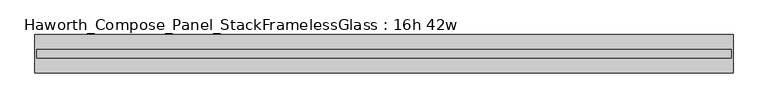
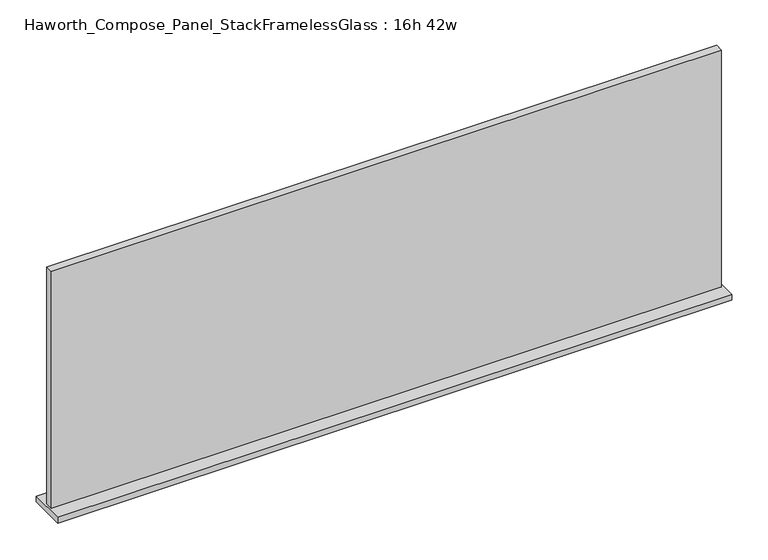
"""IFC4 building model written with IfcOpenShell, lengths in millimetres: furniture geometry, Haworth_Compose_Panel_StackFramelessGlass : 16h 42w."""

from ifc_helpers import new_model, si_unit, frame, origin, place, context, project, spatial, polyline, outline, extrude, source, transform, mapped, element, save


def haworth_compose_panel_stackframelessglass_16h_42w_006d5f01(model_context):
    return source(origin(), model_context, "Body", "SweptSolid", [
        extrude(outline(polyline([(532.6652902, -27.3093594), (-527.7847098, -27.3093594), (-527.7847098, -14.6093594), (532.6652902, -14.6093594), (532.6652902, -27.3093594)])), frame((0.0, 0.0, 1279.525), z_axis=(0.0, 0.0, 1.0), x_axis=(1.0, 0.0, 0.0)), (0.0, 0.0, 1.0), 396.875),
        extrude(outline(polyline([(-530.9597098, -50.3281094), (-530.9597098, 8.4093906), (535.8402902, 8.4093906), (535.8402902, -50.3281094), (-530.9597098, -50.3281094)])), frame((0.0, 0.0, 1270.0), z_axis=(0.0, 0.0, 1.0), x_axis=(1.0, 0.0, 0.0)), (0.0, 0.0, 1.0), 9.525),
    ])


if __name__ == "__main__":
    model = new_model("IFC4")
    model_context = context("Model", 3, world=origin())
    ifc_project = project(units=[si_unit("LENGTHUNIT", "METRE", prefix="MILLI")], contexts=[model_context])
    site = spatial("IfcSite", under=ifc_project)
    building = spatial("IfcBuilding", under=site)
    placement = place(None, origin())
    haworth_compose_panel_stackframelessglass_16h_42w_shape = haworth_compose_panel_stackframelessglass_16h_42w_006d5f01(model_context)
    element("IfcFurniture", 1, ObjectType="Haworth_Compose_Panel_StackFramelessGlass : 16h 42w", at=placement, inside=building, context=model_context, shape_type="MappedRepresentation", body=[
        mapped(haworth_compose_panel_stackframelessglass_16h_42w_shape, transform((0.0, 0.0, 0.0), x_axis=(1.0, 0.0, 0.0), y_axis=(0.0, 1.0, 0.0), z_axis=(0.0, 0.0, 1.0))),
    ])
    save(model, "model.ifc")
